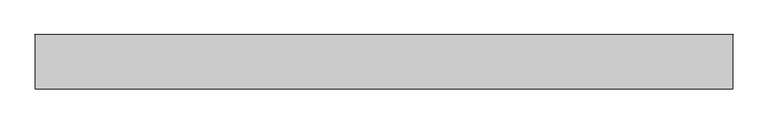
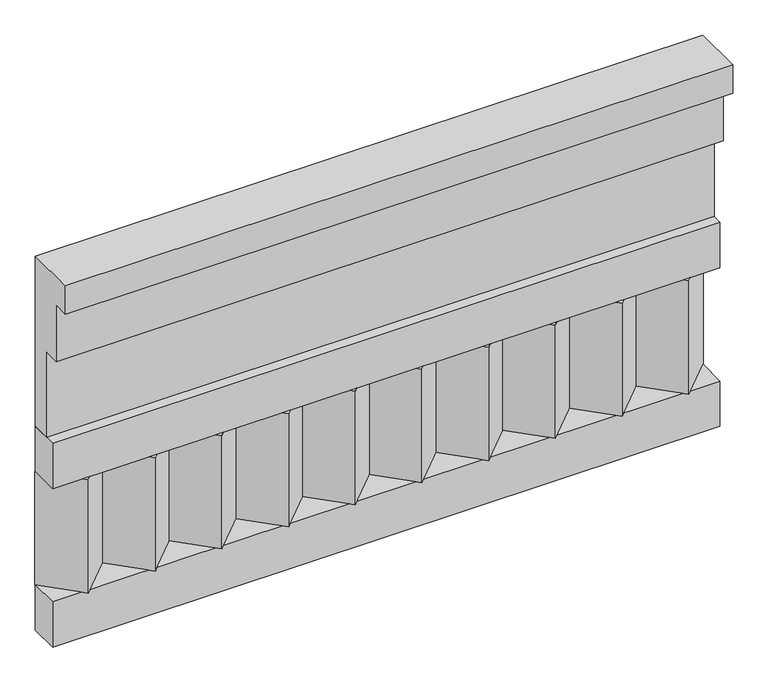
"""IFC4 building model written with IfcOpenShell, lengths in millimetres: railing geometry."""

from ifc_helpers import new_model, si_unit, frame, origin, place, context, project, spatial, polyline, outline, extrude, source, transform, mapped, element, save


def railing_e22d6779(model_context):
    return source(origin(), model_context, "Body", "SweptSolid", [
        extrude(outline(polyline([(-16816.8920513, 15200.0), (-16816.8920513, 14750.0), (-16866.8920513, 14750.0), (-16866.8920513, 14975.0), (-16906.8920513, 14975.0), (-16906.8920513, 15125.0), (-16946.8920513, 15125.0), (-16946.8920513, 15200.0), (-16816.8920513, 15200.0)])), frame((22660.0112841, 0.0, 0.0), z_axis=(1.0, 0.0, 0.0), x_axis=(0.0, 1.0, 0.0)), (0.0, 0.0, 1.0), 1670.0),
        extrude(outline(polyline([(22660.0112841, -16891.8920513), (22660.0112841, -16816.8920513), (24330.0112841, -16816.8920513), (24330.0112841, -16891.8920513), (22660.0112841, -16891.8920513)])), frame((0.0, 0.0, 14630.0), z_axis=(0.0, 0.0, 1.0), x_axis=(1.0, 0.0, 0.0)), (0.0, 0.0, 1.0), 120.0),
        extrude(outline(polyline([(22660.0112841, -16891.8920513), (22660.0112841, -16816.8920513), (24330.0112841, -16816.8920513), (24330.0112841, -16891.8920513), (22660.0112841, -16891.8920513)])), frame((0.0, 0.0, 14210.0), z_axis=(0.0, 0.0, 1.0), x_axis=(1.0, 0.0, 0.0)), (0.0, 0.0, 1.0), 120.0),
        extrude(outline(polyline([(24246.5112841, -16901.7448651), (24161.6584704, -16816.8920513), (24331.3640978, -16816.8920513), (24246.5112841, -16901.7448651)])), frame((0.0, 0.0, 14330.0), z_axis=(0.0, 0.0, 1.0), x_axis=(1.0, 0.0, 0.0)), (0.0, 0.0, 1.0), 300.0),
        extrude(outline(polyline([(24079.5112841, -16901.7448651), (23994.6584704, -16816.8920513), (24164.3640978, -16816.8920513), (24079.5112841, -16901.7448651)])), frame((0.0, 0.0, 14330.0), z_axis=(0.0, 0.0, 1.0), x_axis=(1.0, 0.0, 0.0)), (0.0, 0.0, 1.0), 300.0),
        extrude(outline(polyline([(23912.5112841, -16901.7448651), (23827.6584704, -16816.8920513), (23997.3640978, -16816.8920513), (23912.5112841, -16901.7448651)])), frame((0.0, 0.0, 14330.0), z_axis=(0.0, 0.0, 1.0), x_axis=(1.0, 0.0, 0.0)), (0.0, 0.0, 1.0), 300.0),
        extrude(outline(polyline([(23745.5112841, -16901.7448651), (23660.6584704, -16816.8920513), (23830.3640978, -16816.8920513), (23745.5112841, -16901.7448651)])), frame((0.0, 0.0, 14330.0), z_axis=(0.0, 0.0, 1.0), x_axis=(1.0, 0.0, 0.0)), (0.0, 0.0, 1.0), 300.0),
        extrude(outline(polyline([(23578.5112841, -16901.7448651), (23493.6584704, -16816.8920513), (23663.3640978, -16816.8920513), (23578.5112841, -16901.7448651)])), frame((0.0, 0.0, 14330.0), z_axis=(0.0, 0.0, 1.0), x_axis=(1.0, 0.0, 0.0)), (0.0, 0.0, 1.0), 300.0),
        extrude(outline(polyline([(23411.5112841, -16901.7448651), (23326.6584704, -16816.8920513), (23496.3640978, -16816.8920513), (23411.5112841, -16901.7448651)])), frame((0.0, 0.0, 14330.0), z_axis=(0.0, 0.0, 1.0), x_axis=(1.0, 0.0, 0.0)), (0.0, 0.0, 1.0), 300.0),
        extrude(outline(polyline([(23244.5112841, -16901.7448651), (23159.6584704, -16816.8920513), (23329.3640978, -16816.8920513), (23244.5112841, -16901.7448651)])), frame((0.0, 0.0, 14330.0), z_axis=(0.0, 0.0, 1.0), x_axis=(1.0, 0.0, 0.0)), (0.0, 0.0, 1.0), 300.0),
        extrude(outline(polyline([(23077.5112841, -16901.7448651), (22992.6584704, -16816.8920513), (23162.3640978, -16816.8920513), (23077.5112841, -16901.7448651)])), frame((0.0, 0.0, 14330.0), z_axis=(0.0, 0.0, 1.0), x_axis=(1.0, 0.0, 0.0)), (0.0, 0.0, 1.0), 300.0),
        extrude(outline(polyline([(22910.5112841, -16901.7448651), (22825.6584704, -16816.8920513), (22995.3640978, -16816.8920513), (22910.5112841, -16901.7448651)])), frame((0.0, 0.0, 14330.0), z_axis=(0.0, 0.0, 1.0), x_axis=(1.0, 0.0, 0.0)), (0.0, 0.0, 1.0), 300.0),
        extrude(outline(polyline([(22743.5112841, -16901.7448651), (22658.6584704, -16816.8920513), (22828.3640978, -16816.8920513), (22743.5112841, -16901.7448651)])), frame((0.0, 0.0, 14330.0), z_axis=(0.0, 0.0, 1.0), x_axis=(1.0, 0.0, 0.0)), (0.0, 0.0, 1.0), 300.0),
    ])


if __name__ == "__main__":
    model = new_model("IFC4")
    model_context = context("Model", 3, world=origin())
    ifc_project = project(units=[si_unit("LENGTHUNIT", "METRE", prefix="MILLI")], contexts=[model_context])
    site = spatial("IfcSite", under=ifc_project)
    building = spatial("IfcBuilding", under=site)
    placement = place(None, origin())
    railing_shape = railing_e22d6779(model_context)
    element("IfcRailing", 1, at=placement, inside=building, context=model_context, shape_type="MappedRepresentation", body=[
        mapped(railing_shape, transform((0.0, 0.0, 0.0), x_axis=(1.0, 0.0, 0.0), y_axis=(0.0, 1.0, 0.0), z_axis=(0.0, 0.0, 1.0))),
    ])
    save(model, "model.ifc")
